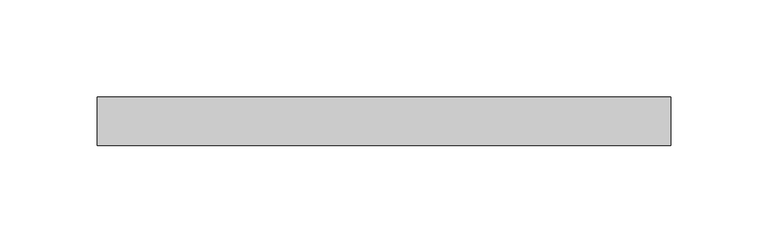
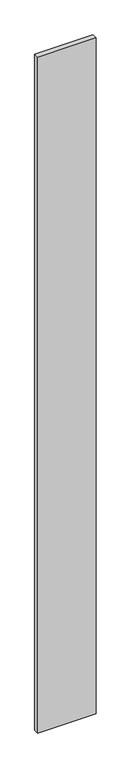
"""IFC4 building model written with IfcOpenShell, lengths in millimetres: plate geometry."""

from ifc_helpers import new_model, si_unit, origin, origin_with_axes, place, context, project, spatial, polyline, outline, extrude, source, transform, mapped, element, save


def plate_0babfbdb(model_context):
    return source(origin(), model_context, "Body", "SweptSolid", [
        extrude(outline(polyline([(147.5123034, 24.5), (-147.5123034, 24.5), (-147.5123034, 49.5), (147.5123034, 49.5), (147.5123034, 24.5)])), origin_with_axes(), (0.0, 0.0, 1.0), 3600.0),
    ])


if __name__ == "__main__":
    model = new_model("IFC4")
    model_context = context("Model", 3, world=origin())
    ifc_project = project(units=[si_unit("LENGTHUNIT", "METRE", prefix="MILLI")], contexts=[model_context])
    site = spatial("IfcSite", under=ifc_project)
    building = spatial("IfcBuilding", under=site)
    placement = place(None, origin())
    plate_shape = plate_0babfbdb(model_context)
    element("IfcPlate", 1, at=placement, inside=building, context=model_context, shape_type="MappedRepresentation", body=[
        mapped(plate_shape, transform((0.0, 0.0, 0.0), x_axis=(1.0, 0.0, 0.0), y_axis=(0.0, 1.0, 0.0), z_axis=(0.0, 0.0, 1.0))),
    ])
    save(model, "model.ifc")
